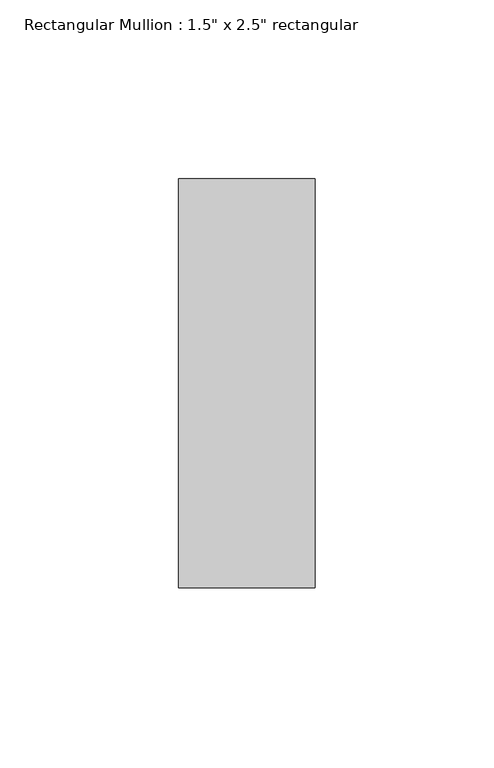
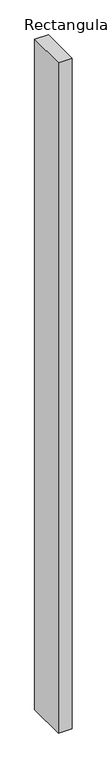
"""IFC4 building model written with IfcOpenShell, lengths in millimetres: member geometry."""

from ifc_helpers import new_model, si_unit, frame, origin, place, context, project, spatial, polyline, outline, extrude, source, transform, mapped, element, save


def member_2f7a45a5(model_context):
    return source(origin(), model_context, "Body", "SweptSolid", [
        extrude(outline(polyline([(19.05, 57.15), (19.05, -57.15), (-19.05, -57.15), (-19.05, 57.15), (19.05, 57.15)])), frame((0.0, 0.0, -1981.2), z_axis=(0.0, 0.0, 1.0), x_axis=(1.0, 0.0, 0.0)), (0.0, 0.0, 1.0), 1981.2),
    ])


if __name__ == "__main__":
    model = new_model("IFC4")
    model_context = context("Model", 3, world=origin())
    ifc_project = project(units=[si_unit("LENGTHUNIT", "METRE", prefix="MILLI")], contexts=[model_context])
    site = spatial("IfcSite", under=ifc_project)
    building = spatial("IfcBuilding", under=site)
    placement = place(None, origin())
    member_shape = member_2f7a45a5(model_context)
    element("IfcMember", 1, ObjectType="Rectangular Mullion : 1.5\" x 2.5\" rectangular", at=placement, inside=building, context=model_context, shape_type="MappedRepresentation", body=[
        mapped(member_shape, transform((0.0, 0.0, 0.0), x_axis=(1.0, 0.0, 0.0), y_axis=(0.0, 1.0, 0.0), z_axis=(0.0, 0.0, 1.0))),
    ])
    save(model, "model.ifc")
